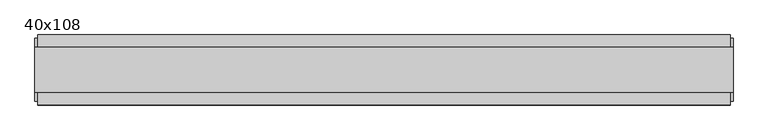
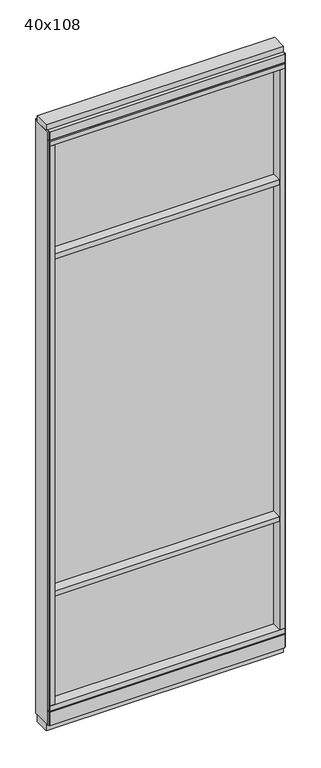
"""IFC4 building model written with IfcOpenShell, lengths in millimetres: furniture geometry, 40x108."""

from ifc_helpers import new_model, si_unit, frame, origin, origin_with_axes, place, context, project, spatial, polyline, outline, extrude, source, transform, mapped, element, save


def furniture_40x108_a9210434(model_context):
    return source(origin(), model_context, "Body", "SweptSolid", [
        extrude(outline(polyline([(-541.8745229, 0.5622784), (421.8014771, 0.5622784), (421.8014771, -9.5977216), (-541.8745229, -9.5977216), (-541.8745229, 0.5622784)])), frame((0.0, 0.0, 2155.825), z_axis=(0.0, 0.0, 1.0), x_axis=(1.0, 0.0, 0.0)), (0.0, 0.0, 1.0), 498.475),
        extrude(outline(polyline([(-541.8745229, 0.5622784), (421.8014771, 0.5622784), (421.8014771, -9.5977216), (-541.8745229, -9.5977216), (-541.8745229, 0.5622784)])), frame((0.0, 0.0, 631.825), z_axis=(0.0, 0.0, 1.0), x_axis=(1.0, 0.0, 0.0)), (0.0, 0.0, 1.0), 1501.775),
        extrude(outline(polyline([(-541.8745229, -52.3332216), (-541.8745229, 43.2977784), (421.8014771, 43.2977784), (421.8014771, -52.3332216), (-541.8745229, -52.3332216)])), frame((0.0, 0.0, 2133.6), z_axis=(0.0, 0.0, 1.0), x_axis=(1.0, 0.0, 0.0)), (0.0, 0.0, 1.0), 22.225),
        extrude(outline(polyline([(-541.8745229, -52.3332216), (-541.8745229, 43.2977784), (421.8014771, 43.2977784), (421.8014771, -52.3332216), (-541.8745229, -52.3332216)])), frame((0.0, 0.0, 609.6), z_axis=(0.0, 0.0, 1.0), x_axis=(1.0, 0.0, 0.0)), (0.0, 0.0, 1.0), 22.225),
        extrude(outline(polyline([(421.8014771, -9.5977216), (-541.8745229, -9.5977216), (-541.8745229, 0.5622784), (421.8014771, 0.5622784), (421.8014771, -9.5977216)])), frame((0.0, 0.0, 120.523), z_axis=(0.0, 0.0, 1.0), x_axis=(1.0, 0.0, 0.0)), (0.0, 0.0, 1.0), 489.077),
        extrude(outline(polyline([(-55.3177216, 93.345), (-50.3647216, 93.345), (-50.3647216, 98.298), (41.3292784, 98.298), (41.3292784, 93.345), (46.2822784, 93.345), (46.2822784, 31.75), (-55.3177216, 31.75), (-55.3177216, 93.345)])), frame((-564.0995229, 0.0, 0.0), z_axis=(1.0, 0.0, 0.0), x_axis=(0.0, 1.0, 0.0)), (0.0, 0.0, 1.0), 1008.126),
        extrude(outline(polyline([(-564.0995229, -55.3177216), (-564.0995229, 46.2822784), (444.0264771, 46.2822784), (444.0264771, -55.3177216), (-564.0995229, -55.3177216)])), frame((0.0, 0.0, 98.298), z_axis=(0.0, 0.0, 1.0), x_axis=(1.0, 0.0, 0.0)), (0.0, 0.0, 1.0), 22.225),
        extrude(outline(polyline([(447.9634771, 27.9942784), (447.9634771, -37.0297216), (-568.0365229, -37.0297216), (-568.0365229, 27.9942784), (447.9634771, 27.9942784)])), origin_with_axes(), (0.0, 0.0, 1.0), 31.75),
        extrude(outline(polyline([(-568.0365229, -37.0297216), (-568.0365229, 27.9942784), (447.9634771, 27.9942784), (447.9634771, -37.0297216), (-568.0365229, -37.0297216)])), frame((0.0, 0.0, 2717.8), z_axis=(0.0, 0.0, 1.0), x_axis=(1.0, 0.0, 0.0)), (0.0, 0.0, 1.0), 25.4),
        extrude(outline(polyline([(-55.3177216, 2681.478), (-55.3177216, 2717.8), (46.2822784, 2717.8), (46.2822784, 2681.478), (41.3292784, 2681.478), (41.3292784, 2676.525), (-50.3647216, 2676.525), (-50.3647216, 2681.478), (-55.3177216, 2681.478)])), frame((-564.0995229, 0.0, 0.0), z_axis=(1.0, 0.0, 0.0), x_axis=(0.0, 1.0, 0.0)), (0.0, 0.0, 1.0), 1008.126),
        extrude(outline(polyline([(444.0264771, 46.2822784), (444.0264771, -55.3177216), (-564.0995229, -55.3177216), (-564.0995229, 46.2822784), (444.0264771, 46.2822784)])), frame((0.0, 0.0, 2654.3), z_axis=(0.0, 0.0, 1.0), x_axis=(1.0, 0.0, 0.0)), (0.0, 0.0, 1.0), 22.225),
        extrude(outline(polyline([(421.8014771, -55.3177216), (421.8014771, 46.2822784), (444.0264771, 46.2822784), (444.0264771, -55.3177216), (421.8014771, -55.3177216)])), frame((0.0, 0.0, 120.523), z_axis=(0.0, 0.0, 1.0), x_axis=(1.0, 0.0, 0.0)), (0.0, 0.0, 1.0), 2533.777),
        extrude(outline(polyline([(-541.8745229, -55.3177216), (-564.0995229, -55.3177216), (-564.0995229, 46.2822784), (-541.8745229, 46.2822784), (-541.8745229, -55.3177216)])), frame((0.0, 0.0, 120.523), z_axis=(0.0, 0.0, 1.0), x_axis=(1.0, 0.0, 0.0)), (0.0, 0.0, 1.0), 2533.777),
        extrude(outline(polyline([(447.9634771, -50.3647216), (444.0264771, -50.3647216), (444.0264771, 41.3292784), (447.9634771, 41.3292784), (447.9634771, -50.3647216)])), frame((0.0, 0.0, 31.75), z_axis=(0.0, 0.0, 1.0), x_axis=(1.0, 0.0, 0.0)), (0.0, 0.0, 1.0), 2686.05),
        extrude(outline(polyline([(-568.0365229, -50.3647216), (-568.0365229, 41.3292784), (-564.0995229, 41.3292784), (-564.0995229, -50.3647216), (-568.0365229, -50.3647216)])), frame((0.0, 0.0, 31.75), z_axis=(0.0, 0.0, 1.0), x_axis=(1.0, 0.0, 0.0)), (0.0, 0.0, 1.0), 2686.05),
    ])


if __name__ == "__main__":
    model = new_model("IFC4")
    model_context = context("Model", 3, world=origin())
    ifc_project = project(units=[si_unit("LENGTHUNIT", "METRE", prefix="MILLI")], contexts=[model_context])
    site = spatial("IfcSite", under=ifc_project)
    building = spatial("IfcBuilding", under=site)
    placement = place(None, origin())
    furniture_40x108_shape = furniture_40x108_a9210434(model_context)
    element("IfcFurniture", 1, ObjectType="40x108", at=placement, inside=building, context=model_context, shape_type="MappedRepresentation", body=[
        mapped(furniture_40x108_shape, transform((0.0, 0.0, 0.0), x_axis=(1.0, 0.0, 0.0), y_axis=(0.0, 1.0, 0.0), z_axis=(0.0, 0.0, 1.0))),
    ])
    save(model, "model.ifc")
